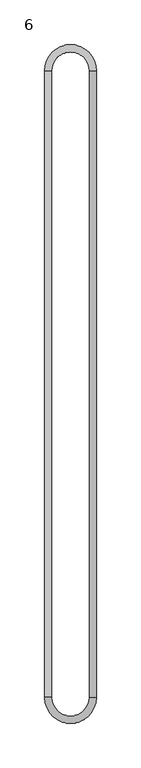
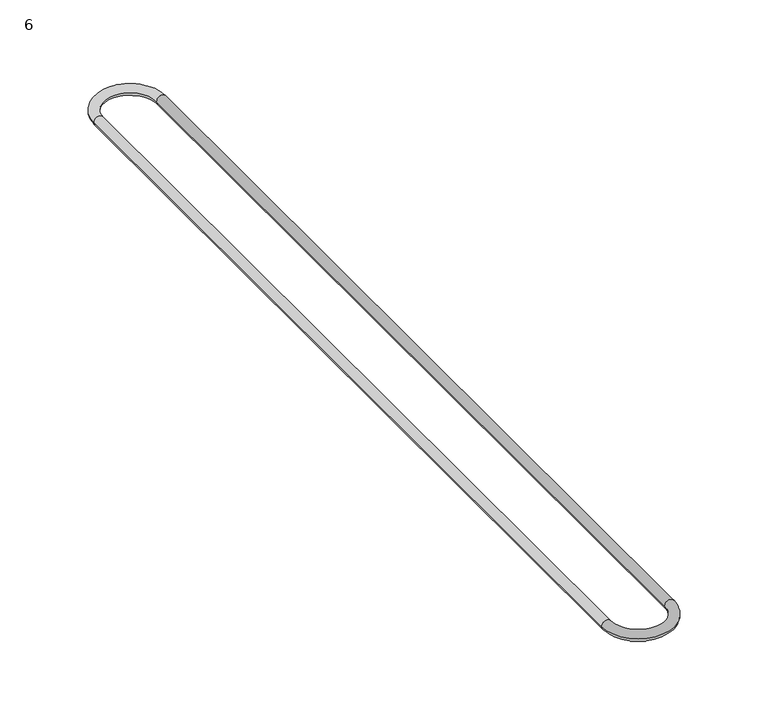
"""IFC4 building model written with IfcOpenShell, lengths in millimetres: proxy geometry, 6."""

from ifc_helpers import new_model, si_unit, point, frame, origin, place, context, project, spatial, circle_curve, ellipse_curve, trimmed, source, transform, mapped, element, save
from ifc_brep_helpers import cylinder_surface, revolved_surface, advanced_brep


def proxy_6_9b55dc0b(model_context):
    return source(origin(), model_context, "Body", "AdvancedBrep", [
        advanced_brep(
        [(54.0, 700.0, 0.0), (-4.0, 700.0, 0.0), (4.0, 700.0, 0.0), (46.0, 700.0, 0.0), (46.0, 0.0, 0.0), (54.0, 0.0, 0.0), (-4.0, 0.0, 0.0), (4.0, 0.0, 0.0)],
        [
            (0, 1, circle_curve(frame((25.0, 700.0, 0.0), z_axis=(0.0, 0.0, 1.0), x_axis=(-1.0, 0.0, 0.0)), 29.0)),
            (1, 2, circle_curve(frame((0.0, 700.0, 0.0), z_axis=(0.0, 1.0, 0.0), x_axis=(-1.0, 0.0, 0.0)), 4.0)),
            (2, 3, circle_curve(frame((25.0, 700.0, 0.0), z_axis=(0.0, 0.0, -1.0), x_axis=(-1.0, 0.0, 0.0)), 21.0)),
            (3, 0, circle_curve(frame((50.0, 700.0, 0.0), z_axis=(0.0, 1.0, 0.0), x_axis=(1.0, 0.0, 0.0)), 4.0)),
            (2, 1, circle_curve(frame((0.0, 700.0, 0.0), z_axis=(0.0, 1.0, 0.0), x_axis=(-1.0, 0.0, 0.0)), 4.0)),
            (0, 3, circle_curve(frame((50.0, 700.0, 0.0), z_axis=(0.0, 1.0, 0.0), x_axis=(1.0, 0.0, 0.0)), 4.0)),
            (3, 4),
            (4, 5, circle_curve(frame((50.0, 0.0, 0.0), z_axis=(0.0, 1.0, 0.0), x_axis=(1.0, 0.0, 0.0)), 4.0)),
            (5, 0),
            (5, 4, circle_curve(frame((50.0, 0.0, 0.0), z_axis=(0.0, 1.0, 0.0), x_axis=(1.0, 0.0, 0.0)), 4.0)),
            (6, 5, circle_curve(frame((25.0, 0.0, 0.0), z_axis=(0.0, 0.0, 1.0), x_axis=(1.0, 0.0, 0.0)), 29.0)),
            (4, 7, circle_curve(frame((25.0, 0.0, 0.0), z_axis=(0.0, 0.0, -1.0), x_axis=(1.0, 0.0, 0.0)), 21.0)),
            (7, 6, circle_curve(frame((0.0, 0.0, 0.0), z_axis=(0.0, -1.0, 0.0), x_axis=(-1.0, 0.0, 0.0)), 4.0)),
            (6, 7, circle_curve(frame((0.0, 0.0, 0.0), z_axis=(0.0, -1.0, 0.0), x_axis=(-1.0, 0.0, 0.0)), 4.0)),
            (7, 2),
            (1, 6),
        ],
        [
            revolved_surface(trimmed(ellipse_curve(frame((0.0, 700.0, 0.0), z_axis=(0.0, -1.0, 0.0), x_axis=(-1.0, 0.0, 0.0)), 4.0, 4.0), [point((4.0, 700.0, 0.0))], [point((-4.0, 700.0, 0.0))], True, "CARTESIAN"), (25.0, 700.0, 0.0), (0.0, 0.0, -1.0)),
            revolved_surface(trimmed(ellipse_curve(frame((0.0, 700.0, 0.0), z_axis=(0.0, -1.0, 0.0), x_axis=(-1.0, 0.0, 0.0)), 4.0, 4.0), [point((-4.0, 700.0, 0.0))], [point((4.0, 700.0, 0.0))], True, "CARTESIAN"), (25.0, 700.0, 0.0), (0.0, 0.0, -1.0)),
            cylinder_surface(frame((50.0, 700.0, 0.0), z_axis=(0.0, 1.0, 0.0), x_axis=(1.0, 0.0, 0.0)), 4.0),
            revolved_surface(trimmed(ellipse_curve(frame((50.0, 0.0, 0.0), z_axis=(0.0, 1.0, 0.0), x_axis=(1.0, 0.0, 0.0)), 4.0, 4.0), [point((46.0, 0.0, 0.0))], [point((54.0, 0.0, 0.0))], True, "CARTESIAN"), (25.0, 0.0, 0.0), (0.0, 0.0, -1.0)),
            revolved_surface(trimmed(ellipse_curve(frame((50.0, 0.0, 0.0), z_axis=(0.0, 1.0, 0.0), x_axis=(1.0, 0.0, 0.0)), 4.0, 4.0), [point((54.0, 0.0, 0.0))], [point((46.0, 0.0, 0.0))], True, "CARTESIAN"), (25.0, 0.0, 0.0), (0.0, 0.0, -1.0)),
            cylinder_surface(frame((0.0, 0.0, 0.0), z_axis=(0.0, -1.0, 0.0), x_axis=(-1.0, 0.0, 0.0)), 4.0),
        ],
        [
            (0, [[1, 2, 3, 4]]),
            (1, [[-3, 5, -1, 6]]),
            (2, [[-4, 7, 8, 9]]),
            (2, [[-6, -9, 10, -7]]),
            (3, [[11, -8, 12, 13]]),
            (4, [[-12, -10, -11, 14]]),
            (5, [[-13, 15, -2, 16]]),
            (5, [[-14, -16, -5, -15]]),
        ],
    ),
    ])


if __name__ == "__main__":
    model = new_model("IFC4")
    model_context = context("Model", 3, world=origin())
    ifc_project = project(units=[si_unit("LENGTHUNIT", "METRE", prefix="MILLI")], contexts=[model_context])
    site = spatial("IfcSite", under=ifc_project)
    building = spatial("IfcBuilding", under=site)
    placement = place(None, origin())
    proxy_6_shape = proxy_6_9b55dc0b(model_context)
    element("IfcBuildingElementProxy", 1, Name="6", ObjectType="6", at=placement, inside=building, context=model_context, shape_type="MappedRepresentation", body=[
        mapped(proxy_6_shape, transform((0.0, 0.0, 0.0), x_axis=(1.0, 0.0, 0.0), y_axis=(0.0, 1.0, 0.0), z_axis=(0.0, 0.0, 1.0))),
    ])
    save(model, "model.ifc")
